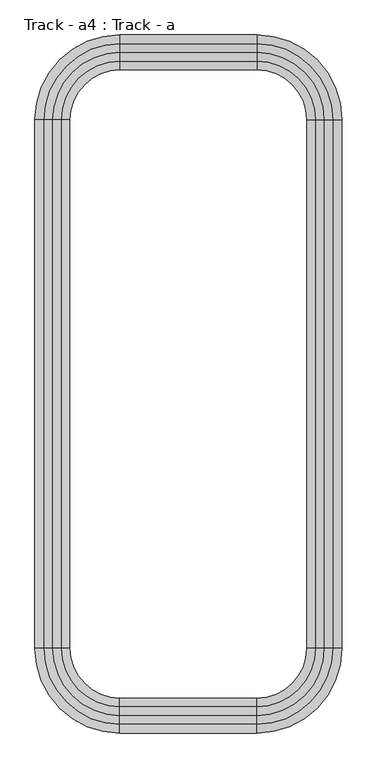
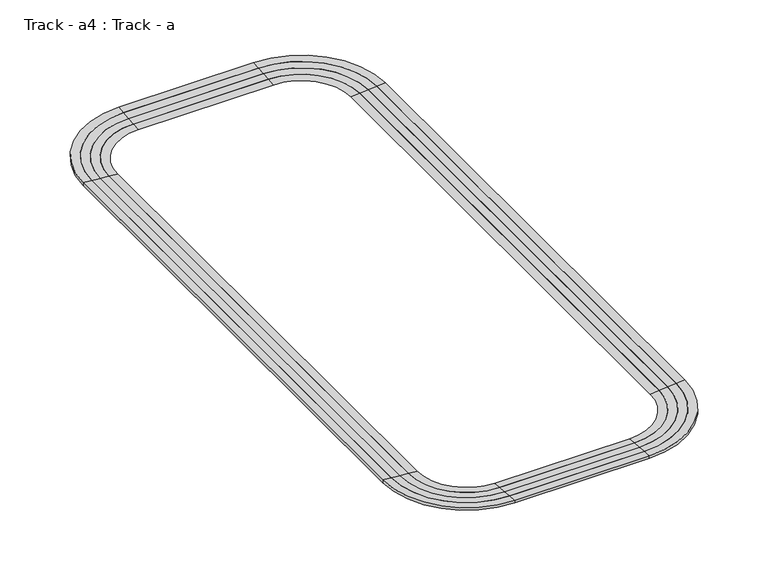
"""IFC4 building model written with IfcOpenShell, lengths in millimetres: proxy geometry, Track - a4 : Track - a."""

import ifcopenshell
import ifcopenshell.guid

model = None  # the IFC model being written
_history = None  # IfcOwnerHistory: only IFC2X3 demands one
_inside = {}  # id of a spatial element -> (the spatial element, [elements in it])
_under = {}  # id of a project, library or spatial element -> (it, [spatial elements below it])
_declared = {}  # id of a project -> (the project, [libraries it declares])
_typed = {}  # id of a type object -> (the type object, [elements of that type])
_made_of = {}  # id of a material, layer set ... -> (it, [elements and type objects made of it])


def new_model(schema):
    """Start an empty IFC model of exactly this schema.

    Asked for "IFC4X3", IfcOpenShell would pick the latest addendum, in which some entities
    have other attributes; the version numbers below select the first issue.
    IFC2X3 requires an IfcOwnerHistory on every rooted entity: one is made here for all.
    """
    global model, _history
    if schema == "IFC4X3":
        model = ifcopenshell.file(schema_version=(4, 3, 0, 0))
    else:
        model = ifcopenshell.file(schema=schema)
    _inside.clear()
    _under.clear()
    _declared.clear()
    _typed.clear()
    _made_of.clear()
    _history = None
    if model.schema == "IFC2X3":
        org = make("IfcOrganization", Name="unknown")
        user = make(
            "IfcPersonAndOrganization",
            ThePerson=make("IfcPerson", FamilyName="unknown"),
            TheOrganization=org,
        )
        app = make(
            "IfcApplication",
            ApplicationDeveloper=org,
            Version="unknown",
            ApplicationFullName="unknown",
            ApplicationIdentifier="unknown",
        )
        _history = make(
            "IfcOwnerHistory",
            OwningUser=user,
            OwningApplication=app,
            ChangeAction="ADDED",
            CreationDate=0,
        )
    return model


def make(cls, **values):
    """One entity of the class cls with the attributes given. An attribute that is None is left unset."""
    return model.create_entity(
        cls, **{name: value for name, value in values.items() if value is not None}
    )


def rooted(cls, **values):
    """An entity with a GlobalId (a new one), such as an element, a storey or a relation."""
    return make(cls, GlobalId=ifcopenshell.guid.new(), OwnerHistory=_history, **values)


def si_unit(unit_type, name, prefix=None):
    """IfcSIUnit, for example si_unit("LENGTHUNIT", "METRE", prefix="MILLI")."""
    return make("IfcSIUnit", UnitType=unit_type, Prefix=prefix, Name=name)


def assignment(units):
    """IfcUnitAssignment: the units of a project."""
    return None if units is None else make("IfcUnitAssignment", Units=units)


def point(xyz):
    """IfcCartesianPoint."""
    return None if xyz is None else make("IfcCartesianPoint", Coordinates=xyz)


def direction(xyz):
    """IfcDirection."""
    return None if xyz is None else make("IfcDirection", DirectionRatios=xyz)


def frame(location, z_axis=None, x_axis=None):
    """IfcAxis2Placement3D, a coordinate frame: its origin and axes. An axis left out is left unset."""
    return make(
        "IfcAxis2Placement3D",
        Location=point(location),
        Axis=direction(z_axis),
        RefDirection=direction(x_axis),
    )


def origin():
    """The frame at (0, 0, 0) with its axes left unset."""
    return frame((0.0, 0.0, 0.0))


def place(relative_to, where):
    """IfcLocalPlacement: puts the frame where relative to a parent placement (None: the world)."""
    return make(
        "IfcLocalPlacement", PlacementRelTo=relative_to, RelativePlacement=where
    )


def context(
    kind, dimensions, precision=None, world=None, true_north=None, identifier=None
):
    """IfcGeometricRepresentationContext, for example the 3D "Model" context."""
    return make(
        "IfcGeometricRepresentationContext",
        ContextIdentifier=identifier,
        ContextType=kind,
        CoordinateSpaceDimension=dimensions,
        Precision=precision,
        WorldCoordinateSystem=world,
        TrueNorth=true_north,
    )


def project(units=None, contexts=None):
    """IfcProject with its units and contexts."""
    return rooted(
        "IfcProject",
        Name="project",
        RepresentationContexts=contexts,
        UnitsInContext=assignment(units),
    )


def spatial(cls, under=None, at=None, **own):
    """A site, building, storey or space (cls), placed at a placement, below another one or the project."""
    s = rooted(cls, ObjectPlacement=at, **own)
    if under is not None:
        _under.setdefault(under.id(), (under, []))[1].append(s)
    return s


def polyline(points):
    """IfcPolyline through the points."""
    return make("IfcPolyline", Points=[point(p) for p in points])


def circle_curve(where, radius):
    """IfcCircle in the frame where."""
    return make("IfcCircle", Position=where, Radius=radius)


def shape(context_of_items, identifier, shape_type, items):
    """IfcShapeRepresentation: the items that make up one representation, for example the "Body"."""
    return make(
        "IfcShapeRepresentation",
        ContextOfItems=context_of_items,
        RepresentationIdentifier=identifier,
        RepresentationType=shape_type,
        Items=items,
    )


def source(mapping_origin, context_of_items, identifier, shape_type, items):
    """IfcRepresentationMap: a shape defined once, which mapped items show again and again."""
    return make(
        "IfcRepresentationMap",
        MappingOrigin=mapping_origin,
        MappedRepresentation=shape(context_of_items, identifier, shape_type, items),
    )


def transform(
    local_origin,
    x_axis=None,
    y_axis=None,
    z_axis=None,
    scale=None,
    scale2=None,
    scale3=None,
    uniform=True,
):
    """IfcCartesianTransformationOperator3D, or its non-uniform kind. x_axis, y_axis, z_axis: its Axis1, 2, 3."""
    if uniform:
        return make(
            "IfcCartesianTransformationOperator3D",
            Axis1=direction(x_axis),
            Axis2=direction(y_axis),
            LocalOrigin=point(local_origin),
            Scale=scale,
            Axis3=direction(z_axis),
        )
    return make(
        "IfcCartesianTransformationOperator3DnonUniform",
        Axis1=direction(x_axis),
        Axis2=direction(y_axis),
        LocalOrigin=point(local_origin),
        Scale=scale,
        Axis3=direction(z_axis),
        Scale2=scale2,
        Scale3=scale3,
    )


def mapped(mapping_source, mapping_target):
    """IfcMappedItem: shows the shape of a source again, moved by a transform."""
    return make(
        "IfcMappedItem", MappingSource=mapping_source, MappingTarget=mapping_target
    )


def made_of(thing, what):
    """Note that an element or type object is made of a material, layer set ...; save() writes the relation."""
    if what is not None:
        _made_of.setdefault(what.id(), (what, []))[1].append(thing)
    return thing


def element(
    cls,
    number,
    at=None,
    inside=None,
    cuts=None,
    type_object=None,
    material=None,
    context=None,
    identifier="Body",
    shape_type=None,
    held_by="IfcProductDefinitionShape",
    body=None,
    shapes=None,
    **own,
):
    """One element of the class cls, such as IfcWall. Its Tag is "e" and its number.

    at: its placement. inside: the storey or other place that contains it. cuts: it is an
    opening in that element (IfcRelVoidsElement). A single representation is given by context,
    identifier, shape_type and body (its items); several are given by shapes. held_by: the class
    of the entity that holds the representations. save() writes the other relations.
    """
    e = rooted(cls, Tag="e%d" % number, ObjectPlacement=at, **own)
    if body is not None:
        shapes = [shape(context, identifier, shape_type, body)]
    if shapes is not None:
        e.Representation = make(held_by, Representations=shapes)
    if inside is not None:
        _inside.setdefault(inside.id(), (inside, []))[1].append(e)
    if cuts is not None:
        rooted(
            "IfcRelVoidsElement", RelatingBuildingElement=cuts, RelatedOpeningElement=e
        )
    if type_object is not None:
        _typed.setdefault(type_object.id(), (type_object, []))[1].append(e)
    return made_of(e, material)


def aggregate(whole, parts):
    """IfcRelAggregates: a whole, such as a stair, and the parts it consists of."""
    return rooted("IfcRelAggregates", RelatingObject=whole, RelatedObjects=parts)


def save(model, path):
    """Write the relations noted so far, then the file.

    IfcRelAggregates (storeys below a building ...), IfcRelContainedInSpatialStructure (elements
    in a storey), IfcRelDefinesByType, IfcRelAssociatesMaterial and IfcRelDeclares: one each for
    every whole, place, type object, material and project.
    """
    for whole, parts in _under.values():
        aggregate(whole, parts)
    for where, things in _inside.values():
        rooted(
            "IfcRelContainedInSpatialStructure",
            RelatedElements=things,
            RelatingStructure=where,
        )
    for kind, things in _typed.values():
        rooted("IfcRelDefinesByType", RelatedObjects=things, RelatingType=kind)
    for what, things in _made_of.values():
        rooted("IfcRelAssociatesMaterial", RelatedObjects=things, RelatingMaterial=what)
    for by, libraries in _declared.values():
        rooted("IfcRelDeclares", RelatingContext=by, RelatedDefinitions=libraries)
    model.write(path)


def plane_surface(at):
    """IfcPlane: the flat surface through the origin of the frame at, square to its z axis."""
    return make("IfcPlane", Position=at)


def cylinder_surface(at, radius):
    """IfcCylindricalSurface: all points at the distance radius from the z axis of the frame at."""
    return make("IfcCylindricalSurface", Position=at, Radius=radius)


def revolved_surface(curve, axis_point, axis_direction):
    """IfcSurfaceOfRevolution: the curve turned about the line through axis_point along axis_direction."""
    return make(
        "IfcSurfaceOfRevolution",
        SweptCurve=make("IfcArbitraryOpenProfileDef", ProfileType="CURVE", Curve=curve),
        AxisPosition=make("IfcAxis1Placement", Location=point(axis_point), Axis=direction(axis_direction)),
    )


def advanced_brep(points, edges, surfaces, faces):
    """IfcAdvancedBrep: a solid bounded by faces that lie on surfaces and meet in shared edges.

    An edge is (start, end): straight between two places in points (the first is 0);
    or (start, end, curve); or (start, end, curve, False) where it runs against its curve.
    A face is (place in surfaces, loops), or (place, loops, False) where it looks against
    its surface's normal. A loop lists edges by number (the first is 1), with a minus sign
    where the edge is run from its end to its start. The first loop is the outer one.
    """
    corners = [point(p) for p in points]
    vertices = [make("IfcVertexPoint", VertexGeometry=c) for c in corners]
    made = []
    for start, end, *more in edges:
        made.append(
            make(
                "IfcEdgeCurve",
                EdgeStart=vertices[start],
                EdgeEnd=vertices[end],
                EdgeGeometry=more[0] if more else make("IfcPolyline", Points=[corners[start], corners[end]]),
                SameSense=more[1] if len(more) > 1 else True,
            )
        )
    hull = []
    for where, loops, *sense in faces:
        bounds = []
        for j, loop in enumerate(loops):
            ring = [make("IfcOrientedEdge", EdgeElement=made[abs(k) - 1], Orientation=k > 0) for k in loop]
            bounds.append(
                make(
                    "IfcFaceOuterBound" if j == 0 else "IfcFaceBound",
                    Bound=make("IfcEdgeLoop", EdgeList=ring),
                    Orientation=True,
                )
            )
        hull.append(make("IfcAdvancedFace", Bounds=bounds, FaceSurface=surfaces[where], SameSense=sense[0] if sense else True))
    return make("IfcAdvancedBrep", Outer=make("IfcClosedShell", CfsFaces=hull))


def track_a4_track_a_34a1ade3(model_context):
    return source(origin(), model_context, "Body", "AdvancedBrep", [
        advanced_brep(
        [(261528.0780265, -570818.1627525, 4775.2), (271891.2780265, -560454.9627525, 4775.2), (270824.4780265, -560454.9627525, 4686.3), (261528.0780265, -569751.3627525, 4686.3), (261528.0780265, -570818.1627525, 4419.6), (271891.2780265, -560454.9627525, 4419.6), (270824.4780265, -560454.9627525, 4419.6), (261528.0780265, -569751.3627525, 4419.6), (244795.173562, -569751.3627525, 4686.3), (244795.173562, -570818.1627525, 4775.2), (244795.173562, -570818.1627525, 4419.6), (244795.173562, -569751.3627525, 4419.6), (234431.973562, -560454.9627525, 4775.2), (235498.773562, -560454.9627525, 4686.3), (234431.973562, -560454.9627525, 4419.6), (235498.773562, -560454.9627525, 4419.6), (235498.773562, -496142.1627525, 4686.3), (234431.973562, -496142.1627525, 4775.2), (234431.973562, -496142.1627525, 4419.6), (235498.773562, -496142.1627525, 4419.6), (244795.173562, -485778.9627525, 4775.2), (244795.173562, -486845.7627525, 4686.3), (244795.173562, -485778.9627525, 4419.6), (244795.173562, -486845.7627525, 4419.6), (261528.0780265, -486845.7627525, 4686.3), (261528.0780265, -485778.9627525, 4775.2), (261528.0780265, -485778.9627525, 4419.6), (261528.0780265, -486845.7627525, 4419.6), (271891.2780266, -496142.1627525, 4775.2), (270824.4780266, -496142.1627525, 4686.3), (271891.2780265, -496142.1627525, 4419.6), (270824.4780266, -496142.1627525, 4419.6)],
        [
            (0, 1, circle_curve(frame((261528.0780265, -560454.9627525, 4775.2), z_axis=(0.0, 0.0, 1.0), x_axis=(1.0, 0.0, 0.0)), 10363.2)),
            (1, 2),
            (2, 3, circle_curve(frame((261528.0780265, -560454.9627525, 4686.3), z_axis=(0.0, 0.0, -1.0), x_axis=(1.0, 0.0, 0.0)), 9296.4)),
            (3, 0),
            (4, 5, circle_curve(frame((261528.0780265, -560454.9627525, 4419.6), z_axis=(0.0, 0.0, 1.0), x_axis=(1.0, 0.0, 0.0)), 10363.2)),
            (5, 1),
            (0, 4),
            (2, 6),
            (6, 7, circle_curve(frame((261528.0780265, -560454.9627525, 4419.6), z_axis=(0.0, 0.0, -1.0), x_axis=(1.0, 0.0, 0.0)), 9296.4)),
            (7, 3),
            (3, 8),
            (8, 9),
            (9, 0),
            (9, 10),
            (10, 4),
            (7, 11),
            (11, 8),
            (12, 9, circle_curve(frame((244795.173562, -560454.9627525, 4775.2), z_axis=(0.0, 0.0, 1.0), x_axis=(0.0, -1.0, 0.0)), 10363.2)),
            (8, 13, circle_curve(frame((244795.173562, -560454.9627525, 4686.3), z_axis=(0.0, 0.0, -1.0), x_axis=(0.0, -1.0, 0.0)), 9296.4)),
            (13, 12),
            (14, 10, circle_curve(frame((244795.173562, -560454.9627525, 4419.6), z_axis=(0.0, 0.0, 1.0), x_axis=(0.0, -1.0, 0.0)), 10363.2)),
            (12, 14),
            (11, 15, circle_curve(frame((244795.173562, -560454.9627525, 4419.6), z_axis=(0.0, 0.0, -1.0), x_axis=(0.0, -1.0, 0.0)), 9296.4)),
            (15, 13),
            (13, 16),
            (16, 17),
            (17, 12),
            (17, 18),
            (18, 14),
            (15, 19),
            (19, 16),
            (20, 17, circle_curve(frame((244795.173562, -496142.1627525, 4775.2), z_axis=(0.0, 0.0, 1.0), x_axis=(-1.0, 0.0, 0.0)), 10363.2)),
            (16, 21, circle_curve(frame((244795.173562, -496142.1627525, 4686.3), z_axis=(0.0, 0.0, -1.0), x_axis=(-1.0, 0.0, 0.0)), 9296.4)),
            (21, 20),
            (22, 18, circle_curve(frame((244795.173562, -496142.1627525, 4419.6), z_axis=(0.0, 0.0, 1.0), x_axis=(-1.0, 0.0, 0.0)), 10363.2)),
            (20, 22),
            (19, 23, circle_curve(frame((244795.173562, -496142.1627525, 4419.6), z_axis=(0.0, 0.0, -1.0), x_axis=(-1.0, 0.0, 0.0)), 9296.4)),
            (23, 21),
            (21, 24),
            (24, 25),
            (25, 20),
            (25, 26),
            (26, 22),
            (23, 27),
            (27, 24),
            (28, 25, circle_curve(frame((261528.0780265, -496142.1627525, 4775.2), z_axis=(0.0, 0.0, 1.0), x_axis=(0.0, 1.0, 0.0)), 10363.2)),
            (24, 29, circle_curve(frame((261528.0780265, -496142.1627525, 4686.3), z_axis=(0.0, 0.0, -1.0), x_axis=(0.0, 1.0, 0.0)), 9296.4)),
            (29, 28),
            (30, 26, circle_curve(frame((261528.0780265, -496142.1627525, 4419.6), z_axis=(0.0, 0.0, 1.0), x_axis=(0.0, 1.0, 0.0)), 10363.2)),
            (28, 30),
            (27, 31, circle_curve(frame((261528.0780265, -496142.1627525, 4419.6), z_axis=(0.0, 0.0, -1.0), x_axis=(0.0, 1.0, 0.0)), 9296.4)),
            (31, 29),
            (29, 2),
            (1, 28),
            (5, 30),
            (6, 31),
        ],
        [
            revolved_surface(polyline([(270824.4780265, -560454.9627525, 4686.3), (271891.2780265, -560454.9627525, 4775.2)]), (261528.0780265, -560454.9627525, 0.0), (0.0, 0.0, -1.0)),
            cylinder_surface(frame((261528.0780265, -560454.9627525, 0.0), z_axis=(0.0, 0.0, -1.0), x_axis=(1.0, 0.0, 0.0)), 10363.2),
            revolved_surface(polyline([(270824.47802650003, -560454.9627525, 4419.6), (270824.47802650003, -560454.9627525, 4686.3)]), (261528.0780265, -560454.9627525, 0.0), (0.0, 0.0, -1.0)),
            plane_surface(frame((261528.0780265, -569751.3627525, 4686.3), z_axis=(0.0, 0.08304547985373159, 0.9965457582448803), x_axis=(-1.0, 0.0, 0.0))),
            plane_surface(frame((261528.0780265, -570818.1627525, 4775.2), z_axis=(0.0, -1.0, 0.0), x_axis=(-1.0, 0.0, 0.0))),
            plane_surface(frame((261528.0780265, -569751.3627525, 4419.6), z_axis=(0.0, 1.0, 0.0), x_axis=(-1.0, 0.0, 0.0))),
            revolved_surface(polyline([(244795.173562, -569751.3627525, 4686.3), (244795.173562, -570818.1627525, 4775.2)]), (244795.173562, -560454.9627525, 0.0), (0.0, 0.0, -1.0)),
            cylinder_surface(frame((244795.173562, -560454.9627525, 0.0), z_axis=(0.0, 0.0, -1.0), x_axis=(0.0, -1.0, 0.0)), 10363.2),
            revolved_surface(polyline([(244795.173562, -569751.3627525, 4419.6), (244795.173562, -569751.3627525, 4686.3)]), (244795.173562, -560454.9627525, 0.0), (0.0, 0.0, -1.0)),
            plane_surface(frame((235498.773562, -560454.9627525, 4686.3), z_axis=(0.08304547985373159, 0.0, 0.9965457582448803), x_axis=(0.0, 1.0, 0.0))),
            plane_surface(frame((234431.973562, -560454.9627525, 4775.2), z_axis=(-1.0, 0.0, 0.0), x_axis=(0.0, 1.0, 0.0))),
            plane_surface(frame((235498.773562, -560454.9627525, 4419.6), z_axis=(1.0, 0.0, 0.0), x_axis=(0.0, 1.0, 0.0))),
            revolved_surface(polyline([(235498.773562, -496142.1627525, 4686.3), (234431.973562, -496142.1627525, 4775.2)]), (244795.173562, -496142.1627525, 0.0), (0.0, 0.0, -1.0)),
            cylinder_surface(frame((244795.173562, -496142.1627525, 0.0), z_axis=(0.0, 0.0, -1.0), x_axis=(-1.0, 0.0, 0.0)), 10363.2),
            revolved_surface(polyline([(235498.77356200002, -496142.1627525, 4419.6), (235498.77356200002, -496142.1627525, 4686.3)]), (244795.173562, -496142.1627525, 0.0), (0.0, 0.0, -1.0)),
            plane_surface(frame((244795.173562, -486845.7627525, 4686.3), z_axis=(0.0, -0.08304547985373159, 0.9965457582448803), x_axis=(1.0, 0.0, 0.0))),
            plane_surface(frame((244795.173562, -485778.9627525, 4775.2), z_axis=(0.0, 1.0, 0.0), x_axis=(1.0, 0.0, 0.0))),
            plane_surface(frame((244795.173562, -486845.7627525, 4419.6), z_axis=(0.0, -1.0, 0.0), x_axis=(1.0, 0.0, 0.0))),
            revolved_surface(polyline([(261528.0780265, -486845.7627525, 4686.3), (261528.0780265, -485778.9627525, 4775.2)]), (261528.0780265, -496142.1627525, 0.0), (0.0, 0.0, -1.0)),
            cylinder_surface(frame((261528.0780265, -496142.1627525, 0.0), z_axis=(0.0, 0.0, -1.0), x_axis=(0.0, 1.0, 0.0)), 10363.2),
            revolved_surface(polyline([(261528.0780265, -486845.76275249996, 4419.6), (261528.0780265, -486845.76275249996, 4686.3)]), (261528.0780265, -496142.1627525, 0.0), (0.0, 0.0, -1.0)),
            plane_surface(frame((270824.4780266, -496142.1627525, 4686.3), z_axis=(-0.08304547985373159, 0.0, 0.9965457582448803), x_axis=(0.0, -1.0, 0.0))),
            plane_surface(frame((271891.2780266, -496142.1627525, 4775.2), z_axis=(1.0, 0.0, 0.0), x_axis=(0.0, -1.0, 0.0))),
            plane_surface(frame((271891.2780266, -496142.1627525, 4419.6), z_axis=(0.0, 0.0, -1.0), x_axis=(0.0, -1.0, 0.0))),
            plane_surface(frame((270824.4780266, -496142.1627525, 4419.6), z_axis=(-1.0, 0.0, 0.0), x_axis=(0.0, -1.0, 0.0))),
        ],
        [
            (0, [[1, 2, 3, 4]]),
            (1, [[5, 6, -1, 7]]),
            (2, [[-3, 8, 9, 10]]),
            (3, [[-4, 11, 12, 13]]),
            (4, [[-7, -13, 14, 15]]),
            (5, [[-10, 16, 17, -11]]),
            (6, [[18, -12, 19, 20]]),
            (7, [[21, -14, -18, 22]]),
            (8, [[-19, -17, 23, 24]]),
            (9, [[-20, 25, 26, 27]]),
            (10, [[-22, -27, 28, 29]]),
            (11, [[-24, 30, 31, -25]]),
            (12, [[32, -26, 33, 34]]),
            (13, [[35, -28, -32, 36]]),
            (14, [[-33, -31, 37, 38]]),
            (15, [[-34, 39, 40, 41]]),
            (16, [[-36, -41, 42, 43]]),
            (17, [[-38, 44, 45, -39]]),
            (18, [[46, -40, 47, 48]]),
            (19, [[49, -42, -46, 50]]),
            (20, [[-47, -45, 51, 52]]),
            (21, [[-48, 53, -2, 54]]),
            (22, [[-50, -54, -6, 55]]),
            (23, [[-43, -49, -55, -5, -15, -21, -29, -35], [56, -51, -44, -37, -30, -23, -16, -9]]),
            (24, [[-52, -56, -8, -53]]),
        ],
    ),
        advanced_brep(
        [(261528.0780265, -569751.3627525, 4686.3), (270824.4780265, -560454.9627525, 4686.3), (269757.6780265, -560454.9627525, 4597.4), (261528.0780265, -568684.5627525, 4597.4), (261528.0780265, -569751.3627525, 4419.6), (270824.4780265, -560454.9627525, 4419.6), (269757.6780265, -560454.9627525, 4419.6), (261528.0780265, -568684.5627525, 4419.6), (244795.173562, -568684.5627525, 4597.4), (244795.173562, -569751.3627525, 4686.3), (244795.173562, -569751.3627525, 4419.6), (244795.173562, -568684.5627525, 4419.6), (235498.773562, -560454.9627525, 4686.3), (236565.573562, -560454.9627525, 4597.4), (235498.773562, -560454.9627525, 4419.6), (236565.573562, -560454.9627525, 4419.6), (236565.573562, -496142.1627525, 4597.4), (235498.773562, -496142.1627525, 4686.3), (235498.773562, -496142.1627525, 4419.6), (236565.573562, -496142.1627525, 4419.6), (244795.173562, -486845.7627525, 4686.3), (244795.173562, -487912.5627525, 4597.4), (244795.173562, -486845.7627525, 4419.6), (244795.173562, -487912.5627525, 4419.6), (261528.0780265, -487912.5627525, 4597.4), (261528.0780265, -486845.7627525, 4686.3), (261528.0780265, -486845.7627525, 4419.6), (261528.0780265, -487912.5627525, 4419.6), (270824.4780266, -496142.1627525, 4686.3), (269757.6780266, -496142.1627525, 4597.4), (270824.4780266, -496142.1627525, 4419.6), (269757.6780266, -496142.1627525, 4419.6)],
        [
            (0, 1, circle_curve(frame((261528.0780265, -560454.9627525, 4686.3), z_axis=(0.0, 0.0, 1.0), x_axis=(1.0, 0.0, 0.0)), 9296.4)),
            (1, 2),
            (2, 3, circle_curve(frame((261528.0780265, -560454.9627525, 4597.4), z_axis=(0.0, 0.0, -1.0), x_axis=(1.0, 0.0, 0.0)), 8229.6)),
            (3, 0),
            (4, 5, circle_curve(frame((261528.0780265, -560454.9627525, 4419.6), z_axis=(0.0, 0.0, 1.0), x_axis=(1.0, 0.0, 0.0)), 9296.4)),
            (5, 1),
            (0, 4),
            (2, 6),
            (6, 7, circle_curve(frame((261528.0780265, -560454.9627525, 4419.6), z_axis=(0.0, 0.0, -1.0), x_axis=(1.0, 0.0, 0.0)), 8229.6)),
            (7, 3),
            (3, 8),
            (8, 9),
            (9, 0),
            (9, 10),
            (10, 4),
            (7, 11),
            (11, 8),
            (12, 9, circle_curve(frame((244795.173562, -560454.9627525, 4686.3), z_axis=(0.0, 0.0, 1.0), x_axis=(0.0, -1.0, 0.0)), 9296.4)),
            (8, 13, circle_curve(frame((244795.173562, -560454.9627525, 4597.4), z_axis=(0.0, 0.0, -1.0), x_axis=(0.0, -1.0, 0.0)), 8229.6)),
            (13, 12),
            (14, 10, circle_curve(frame((244795.173562, -560454.9627525, 4419.6), z_axis=(0.0, 0.0, 1.0), x_axis=(0.0, -1.0, 0.0)), 9296.4)),
            (12, 14),
            (11, 15, circle_curve(frame((244795.173562, -560454.9627525, 4419.6), z_axis=(0.0, 0.0, -1.0), x_axis=(0.0, -1.0, 0.0)), 8229.6)),
            (15, 13),
            (13, 16),
            (16, 17),
            (17, 12),
            (17, 18),
            (18, 14),
            (15, 19),
            (19, 16),
            (20, 17, circle_curve(frame((244795.173562, -496142.1627525, 4686.3), z_axis=(0.0, 0.0, 1.0), x_axis=(-1.0, 0.0, 0.0)), 9296.4)),
            (16, 21, circle_curve(frame((244795.173562, -496142.1627525, 4597.4), z_axis=(0.0, 0.0, -1.0), x_axis=(-1.0, 0.0, 0.0)), 8229.6)),
            (21, 20),
            (22, 18, circle_curve(frame((244795.173562, -496142.1627525, 4419.6), z_axis=(0.0, 0.0, 1.0), x_axis=(-1.0, 0.0, 0.0)), 9296.4)),
            (20, 22),
            (19, 23, circle_curve(frame((244795.173562, -496142.1627525, 4419.6), z_axis=(0.0, 0.0, -1.0), x_axis=(-1.0, 0.0, 0.0)), 8229.6)),
            (23, 21),
            (21, 24),
            (24, 25),
            (25, 20),
            (25, 26),
            (26, 22),
            (23, 27),
            (27, 24),
            (28, 25, circle_curve(frame((261528.0780265, -496142.1627525, 4686.3), z_axis=(0.0, 0.0, 1.0), x_axis=(0.0, 1.0, 0.0)), 9296.4)),
            (24, 29, circle_curve(frame((261528.0780265, -496142.1627525, 4597.4), z_axis=(0.0, 0.0, -1.0), x_axis=(0.0, 1.0, 0.0)), 8229.6)),
            (29, 28),
            (30, 26, circle_curve(frame((261528.0780265, -496142.1627525, 4419.6), z_axis=(0.0, 0.0, 1.0), x_axis=(0.0, 1.0, 0.0)), 9296.4)),
            (28, 30),
            (27, 31, circle_curve(frame((261528.0780265, -496142.1627525, 4419.6), z_axis=(0.0, 0.0, -1.0), x_axis=(0.0, 1.0, 0.0)), 8229.6)),
            (31, 29),
            (29, 2),
            (1, 28),
            (5, 30),
            (6, 31),
        ],
        [
            revolved_surface(polyline([(269757.6780265, -560454.9627525, 4597.4), (270824.4780265, -560454.9627525, 4686.3)]), (261528.0780265, -560454.9627525, 0.0), (0.0, 0.0, -1.0)),
            cylinder_surface(frame((261528.0780265, -560454.9627525, 0.0), z_axis=(0.0, 0.0, -1.0), x_axis=(1.0, 0.0, 0.0)), 9296.4),
            revolved_surface(polyline([(269757.6780265, -560454.9627525, 4419.6), (269757.6780265, -560454.9627525, 4597.4)]), (261528.0780265, -560454.9627525, 0.0), (0.0, 0.0, -1.0)),
            plane_surface(frame((261528.0780265, -568684.5627525, 4597.4), z_axis=(0.0, 0.08304547985373473, 0.9965457582448801), x_axis=(-1.0, 0.0, 0.0))),
            plane_surface(frame((261528.0780265, -569751.3627525, 4686.3), z_axis=(0.0, -1.0, 0.0), x_axis=(-1.0, 0.0, 0.0))),
            plane_surface(frame((261528.0780265, -568684.5627525, 4419.6), z_axis=(0.0, 1.0, 0.0), x_axis=(-1.0, 0.0, 0.0))),
            revolved_surface(polyline([(244795.173562, -568684.5627525, 4597.4), (244795.173562, -569751.3627525, 4686.3)]), (244795.173562, -560454.9627525, 0.0), (0.0, 0.0, -1.0)),
            cylinder_surface(frame((244795.173562, -560454.9627525, 0.0), z_axis=(0.0, 0.0, -1.0), x_axis=(0.0, -1.0, 0.0)), 9296.4),
            revolved_surface(polyline([(244795.173562, -568684.5627525, 4419.6), (244795.173562, -568684.5627525, 4597.4)]), (244795.173562, -560454.9627525, 0.0), (0.0, 0.0, -1.0)),
            plane_surface(frame((236565.573562, -560454.9627525, 4597.4), z_axis=(0.08304547985373473, 0.0, 0.9965457582448801), x_axis=(0.0, 1.0, 0.0))),
            plane_surface(frame((235498.773562, -560454.9627525, 4686.3), z_axis=(-1.0, 0.0, 0.0), x_axis=(0.0, 1.0, 0.0))),
            plane_surface(frame((236565.573562, -560454.9627525, 4419.6), z_axis=(1.0, 0.0, 0.0), x_axis=(0.0, 1.0, 0.0))),
            revolved_surface(polyline([(236565.573562, -496142.1627525, 4597.4), (235498.773562, -496142.1627525, 4686.3)]), (244795.173562, -496142.1627525, 0.0), (0.0, 0.0, -1.0)),
            cylinder_surface(frame((244795.173562, -496142.1627525, 0.0), z_axis=(0.0, 0.0, -1.0), x_axis=(-1.0, 0.0, 0.0)), 9296.4),
            revolved_surface(polyline([(236565.573562, -496142.1627525, 4419.6), (236565.573562, -496142.1627525, 4597.4)]), (244795.173562, -496142.1627525, 0.0), (0.0, 0.0, -1.0)),
            plane_surface(frame((244795.173562, -487912.5627525, 4597.4), z_axis=(0.0, -0.08304547985373473, 0.9965457582448801), x_axis=(1.0, 0.0, 0.0))),
            plane_surface(frame((244795.173562, -486845.7627525, 4686.3), z_axis=(0.0, 1.0, 0.0), x_axis=(1.0, 0.0, 0.0))),
            plane_surface(frame((244795.173562, -487912.5627525, 4419.6), z_axis=(0.0, -1.0, 0.0), x_axis=(1.0, 0.0, 0.0))),
            revolved_surface(polyline([(261528.0780265, -487912.5627525, 4597.4), (261528.0780265, -486845.7627525, 4686.3)]), (261528.0780265, -496142.1627525, 0.0), (0.0, 0.0, -1.0)),
            cylinder_surface(frame((261528.0780265, -496142.1627525, 0.0), z_axis=(0.0, 0.0, -1.0), x_axis=(0.0, 1.0, 0.0)), 9296.4),
            revolved_surface(polyline([(261528.0780265, -487912.5627525, 4419.6), (261528.0780265, -487912.5627525, 4597.4)]), (261528.0780265, -496142.1627525, 0.0), (0.0, 0.0, -1.0)),
            plane_surface(frame((269757.6780266, -496142.1627525, 4597.4), z_axis=(-0.08304547985373473, 0.0, 0.9965457582448801), x_axis=(0.0, -1.0, 0.0))),
            plane_surface(frame((270824.4780266, -496142.1627525, 4686.3), z_axis=(1.0, 0.0, 0.0), x_axis=(0.0, -1.0, 0.0))),
            plane_surface(frame((270824.4780266, -496142.1627525, 4419.6), z_axis=(0.0, 0.0, -1.0), x_axis=(0.0, -1.0, 0.0))),
            plane_surface(frame((269757.6780266, -496142.1627525, 4419.6), z_axis=(-1.0, 0.0, 0.0), x_axis=(0.0, -1.0, 0.0))),
        ],
        [
            (0, [[1, 2, 3, 4]]),
            (1, [[5, 6, -1, 7]]),
            (2, [[-3, 8, 9, 10]]),
            (3, [[-4, 11, 12, 13]]),
            (4, [[-7, -13, 14, 15]]),
            (5, [[-10, 16, 17, -11]]),
            (6, [[18, -12, 19, 20]]),
            (7, [[21, -14, -18, 22]]),
            (8, [[-19, -17, 23, 24]]),
            (9, [[-20, 25, 26, 27]]),
            (10, [[-22, -27, 28, 29]]),
            (11, [[-24, 30, 31, -25]]),
            (12, [[32, -26, 33, 34]]),
            (13, [[35, -28, -32, 36]]),
            (14, [[-33, -31, 37, 38]]),
            (15, [[-34, 39, 40, 41]]),
            (16, [[-36, -41, 42, 43]]),
            (17, [[-38, 44, 45, -39]]),
            (18, [[46, -40, 47, 48]]),
            (19, [[49, -42, -46, 50]]),
            (20, [[-47, -45, 51, 52]]),
            (21, [[-48, 53, -2, 54]]),
            (22, [[-50, -54, -6, 55]]),
            (23, [[-43, -49, -55, -5, -15, -21, -29, -35], [56, -51, -44, -37, -30, -23, -16, -9]]),
            (24, [[-52, -56, -8, -53]]),
        ],
    ),
        advanced_brep(
        [(261528.0780265, -568684.5627525, 4597.4), (269757.6780265, -560454.9627525, 4597.4), (268690.8780265, -560454.9627525, 4508.5), (261528.0780265, -567617.7627525, 4508.5), (261528.0780265, -568684.5627525, 4419.6), (269757.6780265, -560454.9627525, 4419.6), (268690.8780265, -560454.9627525, 4419.6), (261528.0780265, -567617.7627525, 4419.6), (244795.173562, -567617.7627525, 4508.5), (244795.173562, -568684.5627525, 4597.4), (244795.173562, -568684.5627525, 4419.6), (244795.173562, -567617.7627525, 4419.6), (236565.573562, -560454.9627525, 4597.4), (237632.373562, -560454.9627525, 4508.5), (236565.573562, -560454.9627525, 4419.6), (237632.373562, -560454.9627525, 4419.6), (237632.373562, -496142.1627525, 4508.5), (236565.573562, -496142.1627525, 4597.4), (236565.573562, -496142.1627525, 4419.6), (237632.373562, -496142.1627525, 4419.6), (244795.173562, -487912.5627525, 4597.4), (244795.173562, -488979.3627525, 4508.5), (244795.173562, -487912.5627525, 4419.6), (244795.173562, -488979.3627525, 4419.6), (261528.0780266, -488979.3627525, 4508.5), (261528.0780266, -487912.5627525, 4597.4), (261528.0780266, -487912.5627525, 4419.6), (261528.0780266, -488979.3627525, 4419.6), (269757.6780266, -496142.1627525, 4597.4), (268690.8780266, -496142.1627525, 4508.5), (269757.6780266, -496142.1627525, 4419.6), (268690.8780266, -496142.1627525, 4419.6)],
        [
            (0, 1, circle_curve(frame((261528.0780265, -560454.9627525, 4597.4), z_axis=(0.0, 0.0, 1.0), x_axis=(1.0, 0.0, 0.0)), 8229.6)),
            (1, 2),
            (2, 3, circle_curve(frame((261528.0780265, -560454.9627525, 4508.5), z_axis=(0.0, 0.0, -1.0), x_axis=(1.0, 0.0, 0.0)), 7162.8)),
            (3, 0),
            (4, 5, circle_curve(frame((261528.0780265, -560454.9627525, 4419.6), z_axis=(0.0, 0.0, 1.0), x_axis=(1.0, 0.0, 0.0)), 8229.6)),
            (5, 1),
            (0, 4),
            (2, 6),
            (6, 7, circle_curve(frame((261528.0780265, -560454.9627525, 4419.6), z_axis=(0.0, 0.0, -1.0), x_axis=(1.0, 0.0, 0.0)), 7162.8)),
            (7, 3),
            (3, 8),
            (8, 9),
            (9, 0),
            (9, 10),
            (10, 4),
            (7, 11),
            (11, 8),
            (12, 9, circle_curve(frame((244795.173562, -560454.9627525, 4597.4), z_axis=(0.0, 0.0, 1.0), x_axis=(0.0, -1.0, 0.0)), 8229.6)),
            (8, 13, circle_curve(frame((244795.173562, -560454.9627525, 4508.5), z_axis=(0.0, 0.0, -1.0), x_axis=(0.0, -1.0, 0.0)), 7162.8)),
            (13, 12),
            (14, 10, circle_curve(frame((244795.173562, -560454.9627525, 4419.6), z_axis=(0.0, 0.0, 1.0), x_axis=(0.0, -1.0, 0.0)), 8229.6)),
            (12, 14),
            (11, 15, circle_curve(frame((244795.173562, -560454.9627525, 4419.6), z_axis=(0.0, 0.0, -1.0), x_axis=(0.0, -1.0, 0.0)), 7162.8)),
            (15, 13),
            (13, 16),
            (16, 17),
            (17, 12),
            (17, 18),
            (18, 14),
            (15, 19),
            (19, 16),
            (20, 17, circle_curve(frame((244795.173562, -496142.1627525, 4597.4), z_axis=(0.0, 0.0, 1.0), x_axis=(-1.0, 0.0, 0.0)), 8229.6)),
            (16, 21, circle_curve(frame((244795.173562, -496142.1627525, 4508.5), z_axis=(0.0, 0.0, -1.0), x_axis=(-1.0, 0.0, 0.0)), 7162.8)),
            (21, 20),
            (22, 18, circle_curve(frame((244795.173562, -496142.1627525, 4419.6), z_axis=(0.0, 0.0, 1.0), x_axis=(-1.0, 0.0, 0.0)), 8229.6)),
            (20, 22),
            (19, 23, circle_curve(frame((244795.173562, -496142.1627525, 4419.6), z_axis=(0.0, 0.0, -1.0), x_axis=(-1.0, 0.0, 0.0)), 7162.8)),
            (23, 21),
            (21, 24),
            (24, 25),
            (25, 20),
            (25, 26),
            (26, 22),
            (23, 27),
            (27, 24),
            (28, 25, circle_curve(frame((261528.0780266, -496142.1627525, 4597.4), z_axis=(0.0, 0.0, 1.0), x_axis=(0.0, 1.0, 0.0)), 8229.6)),
            (24, 29, circle_curve(frame((261528.0780266, -496142.1627525, 4508.5), z_axis=(0.0, 0.0, -1.0), x_axis=(0.0, 1.0, 0.0)), 7162.8)),
            (29, 28),
            (30, 26, circle_curve(frame((261528.0780266, -496142.1627525, 4419.6), z_axis=(0.0, 0.0, 1.0), x_axis=(0.0, 1.0, 0.0)), 8229.6)),
            (28, 30),
            (27, 31, circle_curve(frame((261528.0780266, -496142.1627525, 4419.6), z_axis=(0.0, 0.0, -1.0), x_axis=(0.0, 1.0, 0.0)), 7162.8)),
            (31, 29),
            (29, 2),
            (1, 28),
            (5, 30),
            (6, 31),
        ],
        [
            revolved_surface(polyline([(268690.8780265, -560454.9627525, 4508.5), (269757.6780265, -560454.9627525, 4597.4)]), (261528.0780265, -560454.9627525, 0.0), (0.0, 0.0, -1.0)),
            cylinder_surface(frame((261528.0780265, -560454.9627525, 0.0), z_axis=(0.0, 0.0, -1.0), x_axis=(1.0, 0.0, 0.0)), 8229.6),
            revolved_surface(polyline([(268690.8780265, -560454.9627525, 4419.6), (268690.8780265, -560454.9627525, 4508.5)]), (261528.0780265, -560454.9627525, 0.0), (0.0, 0.0, -1.0)),
            plane_surface(frame((261528.0780265, -567617.7627525, 4508.5), z_axis=(0.0, 0.0830454798537369, 0.9965457582448799), x_axis=(-1.0, 0.0, 0.0))),
            plane_surface(frame((261528.0780265, -568684.5627525, 4597.4), z_axis=(0.0, -1.0, 0.0), x_axis=(-1.0, 0.0, 0.0))),
            plane_surface(frame((261528.0780265, -567617.7627525, 4419.6), z_axis=(0.0, 1.0, 0.0), x_axis=(-1.0, 0.0, 0.0))),
            revolved_surface(polyline([(244795.173562, -567617.7627525, 4508.5), (244795.173562, -568684.5627525, 4597.4)]), (244795.173562, -560454.9627525, 0.0), (0.0, 0.0, -1.0)),
            cylinder_surface(frame((244795.173562, -560454.9627525, 0.0), z_axis=(0.0, 0.0, -1.0), x_axis=(0.0, -1.0, 0.0)), 8229.6),
            revolved_surface(polyline([(244795.173562, -567617.7627525, 4419.6), (244795.173562, -567617.7627525, 4508.5)]), (244795.173562, -560454.9627525, 0.0), (0.0, 0.0, -1.0)),
            plane_surface(frame((237632.373562, -560454.9627525, 4508.5), z_axis=(0.0830454798537369, 0.0, 0.9965457582448799), x_axis=(0.0, 1.0, 0.0))),
            plane_surface(frame((236565.573562, -560454.9627525, 4597.4), z_axis=(-1.0, 0.0, 0.0), x_axis=(0.0, 1.0, 0.0))),
            plane_surface(frame((237632.373562, -560454.9627525, 4419.6), z_axis=(1.0, 0.0, 0.0), x_axis=(0.0, 1.0, 0.0))),
            revolved_surface(polyline([(237632.373562, -496142.1627525, 4508.5), (236565.573562, -496142.1627525, 4597.4)]), (244795.173562, -496142.1627525, 0.0), (0.0, 0.0, -1.0)),
            cylinder_surface(frame((244795.173562, -496142.1627525, 0.0), z_axis=(0.0, 0.0, -1.0), x_axis=(-1.0, 0.0, 0.0)), 8229.6),
            revolved_surface(polyline([(237632.37356200002, -496142.1627525, 4419.6), (237632.37356200002, -496142.1627525, 4508.5)]), (244795.173562, -496142.1627525, 0.0), (0.0, 0.0, -1.0)),
            plane_surface(frame((244795.173562, -488979.3627525, 4508.5), z_axis=(0.0, -0.0830454798537369, 0.9965457582448799), x_axis=(1.0, 0.0, 0.0))),
            plane_surface(frame((244795.173562, -487912.5627525, 4597.4), z_axis=(0.0, 1.0, 0.0), x_axis=(1.0, 0.0, 0.0))),
            plane_surface(frame((244795.173562, -488979.3627525, 4419.6), z_axis=(0.0, -1.0, 0.0), x_axis=(1.0, 0.0, 0.0))),
            revolved_surface(polyline([(261528.0780266, -488979.3627525, 4508.5), (261528.0780266, -487912.5627525, 4597.4)]), (261528.0780266, -496142.1627525, 0.0), (0.0, 0.0, -1.0)),
            cylinder_surface(frame((261528.0780266, -496142.1627525, 0.0), z_axis=(0.0, 0.0, -1.0), x_axis=(0.0, 1.0, 0.0)), 8229.6),
            revolved_surface(polyline([(261528.0780266, -488979.3627525, 4419.6), (261528.0780266, -488979.3627525, 4508.5)]), (261528.0780266, -496142.1627525, 0.0), (0.0, 0.0, -1.0)),
            plane_surface(frame((268690.8780266, -496142.1627525, 4508.5), z_axis=(-0.0830454798537369, 0.0, 0.9965457582448799), x_axis=(0.0, -1.0, 0.0))),
            plane_surface(frame((269757.6780266, -496142.1627525, 4597.4), z_axis=(1.0, 0.0, 0.0), x_axis=(0.0, -1.0, 0.0))),
            plane_surface(frame((269757.6780266, -496142.1627525, 4419.6), z_axis=(0.0, 0.0, -1.0), x_axis=(0.0, -1.0, 0.0))),
            plane_surface(frame((268690.8780266, -496142.1627525, 4419.6), z_axis=(-1.0, 0.0, 0.0), x_axis=(0.0, -1.0, 0.0))),
        ],
        [
            (0, [[1, 2, 3, 4]]),
            (1, [[5, 6, -1, 7]]),
            (2, [[-3, 8, 9, 10]]),
            (3, [[-4, 11, 12, 13]]),
            (4, [[-7, -13, 14, 15]]),
            (5, [[-10, 16, 17, -11]]),
            (6, [[18, -12, 19, 20]]),
            (7, [[21, -14, -18, 22]]),
            (8, [[-19, -17, 23, 24]]),
            (9, [[-20, 25, 26, 27]]),
            (10, [[-22, -27, 28, 29]]),
            (11, [[-24, 30, 31, -25]]),
            (12, [[32, -26, 33, 34]]),
            (13, [[35, -28, -32, 36]]),
            (14, [[-33, -31, 37, 38]]),
            (15, [[-34, 39, 40, 41]]),
            (16, [[-36, -41, 42, 43]]),
            (17, [[-38, 44, 45, -39]]),
            (18, [[46, -40, 47, 48]]),
            (19, [[49, -42, -46, 50]]),
            (20, [[-47, -45, 51, 52]]),
            (21, [[-48, 53, -2, 54]]),
            (22, [[-50, -54, -6, 55]]),
            (23, [[-43, -49, -55, -5, -15, -21, -29, -35], [56, -51, -44, -37, -30, -23, -16, -9]]),
            (24, [[-52, -56, -8, -53]]),
        ],
    ),
        advanced_brep(
        [(261528.0780265, -567617.7627525, 4508.5), (268690.8780265, -560454.9627525, 4508.5), (267624.0780265, -560454.9627525, 4419.6), (261528.0780265, -566550.9627525, 4419.6), (261528.0780265, -567617.7627525, 4419.6), (268690.8780265, -560454.9627525, 4419.6), (244795.173562, -566550.9627525, 4419.6), (244795.173562, -567617.7627525, 4508.5), (244795.173562, -567617.7627525, 4419.6), (237632.373562, -560454.9627525, 4508.5), (238699.173562, -560454.9627525, 4419.6), (237632.373562, -560454.9627525, 4419.6), (238699.173562, -496142.1627525, 4419.6), (237632.373562, -496142.1627525, 4508.5), (237632.373562, -496142.1627525, 4419.6), (244795.173562, -488979.3627525, 4508.5), (244795.173562, -490046.1627525, 4419.6), (244795.173562, -488979.3627525, 4419.6), (261528.0780266, -490046.1627525, 4419.6), (261528.0780266, -488979.3627525, 4508.5), (261528.0780266, -488979.3627525, 4419.6), (268690.8780266, -496142.1627525, 4508.5), (267624.0780266, -496142.1627525, 4419.6), (268690.8780266, -496142.1627525, 4419.6)],
        [
            (0, 1, circle_curve(frame((261528.0780265, -560454.9627525, 4508.5), z_axis=(0.0, 0.0, 1.0), x_axis=(1.0, 0.0, 0.0)), 7162.8)),
            (1, 2),
            (2, 3, circle_curve(frame((261528.0780265, -560454.9627525, 4419.6), z_axis=(0.0, 0.0, -1.0), x_axis=(1.0, 0.0, 0.0)), 6096.0)),
            (3, 0),
            (4, 5, circle_curve(frame((261528.0780265, -560454.9627525, 4419.6), z_axis=(0.0, 0.0, 1.0), x_axis=(1.0, 0.0, 0.0)), 7162.8)),
            (5, 1),
            (0, 4),
            (3, 6),
            (6, 7),
            (7, 0),
            (7, 8),
            (8, 4),
            (9, 7, circle_curve(frame((244795.173562, -560454.9627525, 4508.5), z_axis=(0.0, 0.0, 1.0), x_axis=(0.0, -1.0, 0.0)), 7162.8)),
            (6, 10, circle_curve(frame((244795.173562, -560454.9627525, 4419.6), z_axis=(0.0, 0.0, -1.0), x_axis=(0.0, -1.0, 0.0)), 6096.0)),
            (10, 9),
            (11, 8, circle_curve(frame((244795.173562, -560454.9627525, 4419.6), z_axis=(0.0, 0.0, 1.0), x_axis=(0.0, -1.0, 0.0)), 7162.8)),
            (9, 11),
            (10, 12),
            (12, 13),
            (13, 9),
            (13, 14),
            (14, 11),
            (15, 13, circle_curve(frame((244795.173562, -496142.1627525, 4508.5), z_axis=(0.0, 0.0, 1.0), x_axis=(-1.0, 0.0, 0.0)), 7162.8)),
            (12, 16, circle_curve(frame((244795.173562, -496142.1627525, 4419.6), z_axis=(0.0, 0.0, -1.0), x_axis=(-1.0, 0.0, 0.0)), 6096.0)),
            (16, 15),
            (17, 14, circle_curve(frame((244795.173562, -496142.1627525, 4419.6), z_axis=(0.0, 0.0, 1.0), x_axis=(-1.0, 0.0, 0.0)), 7162.8)),
            (15, 17),
            (16, 18),
            (18, 19),
            (19, 15),
            (19, 20),
            (20, 17),
            (21, 19, circle_curve(frame((261528.0780266, -496142.1627525, 4508.5), z_axis=(0.0, 0.0, 1.0), x_axis=(0.0, 1.0, 0.0)), 7162.8)),
            (18, 22, circle_curve(frame((261528.0780266, -496142.1627525, 4419.6), z_axis=(0.0, 0.0, -1.0), x_axis=(0.0, 1.0, 0.0)), 6096.0)),
            (22, 21),
            (23, 20, circle_curve(frame((261528.0780266, -496142.1627525, 4419.6), z_axis=(0.0, 0.0, 1.0), x_axis=(0.0, 1.0, 0.0)), 7162.8)),
            (21, 23),
            (23, 5),
            (2, 22),
            (1, 21),
        ],
        [
            revolved_surface(polyline([(267624.0780265, -560454.9627525, 4419.6), (268690.8780265, -560454.9627525, 4508.5)]), (261528.0780265, -560454.9627525, 0.0), (0.0, 0.0, -1.0)),
            cylinder_surface(frame((261528.0780265, -560454.9627525, 0.0), z_axis=(0.0, 0.0, -1.0), x_axis=(1.0, 0.0, 0.0)), 7162.8),
            plane_surface(frame((261528.0780265, -566550.9627525, 4419.6), z_axis=(0.0, 0.08304547985373992, 0.9965457582448797), x_axis=(-1.0, 0.0, 0.0))),
            plane_surface(frame((261528.0780265, -567617.7627525, 4508.5), z_axis=(0.0, -1.0, 0.0), x_axis=(-1.0, 0.0, 0.0))),
            revolved_surface(polyline([(244795.173562, -566550.9627525, 4419.6), (244795.173562, -567617.7627525, 4508.5)]), (244795.173562, -560454.9627525, 0.0), (0.0, 0.0, -1.0)),
            cylinder_surface(frame((244795.173562, -560454.9627525, 0.0), z_axis=(0.0, 0.0, -1.0), x_axis=(0.0, -1.0, 0.0)), 7162.8),
            plane_surface(frame((238699.173562, -560454.9627525, 4419.6), z_axis=(0.08304547985373992, 0.0, 0.9965457582448797), x_axis=(0.0, 1.0, 0.0))),
            plane_surface(frame((237632.373562, -560454.9627525, 4508.5), z_axis=(-1.0, 0.0, 0.0), x_axis=(0.0, 1.0, 0.0))),
            revolved_surface(polyline([(238699.173562, -496142.1627525, 4419.6), (237632.373562, -496142.1627525, 4508.5)]), (244795.173562, -496142.1627525, 0.0), (0.0, 0.0, -1.0)),
            cylinder_surface(frame((244795.173562, -496142.1627525, 0.0), z_axis=(0.0, 0.0, -1.0), x_axis=(-1.0, 0.0, 0.0)), 7162.8),
            plane_surface(frame((244795.173562, -490046.1627525, 4419.6), z_axis=(0.0, -0.08304547985373992, 0.9965457582448797), x_axis=(1.0, 0.0, 0.0))),
            plane_surface(frame((244795.173562, -488979.3627525, 4508.5), z_axis=(0.0, 1.0, 0.0), x_axis=(1.0, 0.0, 0.0))),
            revolved_surface(polyline([(261528.0780266, -490046.1627525, 4419.6), (261528.0780266, -488979.3627525, 4508.5)]), (261528.0780266, -496142.1627525, 0.0), (0.0, 0.0, -1.0)),
            cylinder_surface(frame((261528.0780266, -496142.1627525, 0.0), z_axis=(0.0, 0.0, -1.0), x_axis=(0.0, 1.0, 0.0)), 7162.8),
            plane_surface(frame((268690.8780266, -496142.1627525, 4419.6), z_axis=(0.0, 0.0, -1.0), x_axis=(0.0, -1.0, 0.0))),
            plane_surface(frame((267624.0780266, -496142.1627525, 4419.6), z_axis=(-0.08304547985373992, 0.0, 0.9965457582448797), x_axis=(0.0, -1.0, 0.0))),
            plane_surface(frame((268690.8780266, -496142.1627525, 4508.5), z_axis=(1.0, 0.0, 0.0), x_axis=(0.0, -1.0, 0.0))),
        ],
        [
            (0, [[1, 2, 3, 4]]),
            (1, [[5, 6, -1, 7]]),
            (2, [[-4, 8, 9, 10]]),
            (3, [[-7, -10, 11, 12]]),
            (4, [[13, -9, 14, 15]]),
            (5, [[16, -11, -13, 17]]),
            (6, [[-15, 18, 19, 20]]),
            (7, [[-17, -20, 21, 22]]),
            (8, [[23, -19, 24, 25]]),
            (9, [[26, -21, -23, 27]]),
            (10, [[-25, 28, 29, 30]]),
            (11, [[-27, -30, 31, 32]]),
            (12, [[33, -29, 34, 35]]),
            (13, [[36, -31, -33, 37]]),
            (14, [[-32, -36, 38, -5, -12, -16, -22, -26], [39, -34, -28, -24, -18, -14, -8, -3]]),
            (15, [[-35, -39, -2, 40]]),
            (16, [[-37, -40, -6, -38]]),
        ],
    ),
    ])


if __name__ == "__main__":
    model = new_model("IFC4")
    model_context = context("Model", 3, world=origin())
    ifc_project = project(units=[si_unit("LENGTHUNIT", "METRE", prefix="MILLI")], contexts=[model_context])
    site = spatial("IfcSite", under=ifc_project)
    building = spatial("IfcBuilding", under=site)
    placement = place(None, origin())
    track_a4_track_a_shape = track_a4_track_a_34a1ade3(model_context)
    element("IfcBuildingElementProxy", 1, Name="Track - a4 : Track - a", ObjectType="Track - a4 : Track - a", at=placement, inside=building, context=model_context, shape_type="MappedRepresentation", body=[
        mapped(track_a4_track_a_shape, transform((0.0, 0.0, 0.0), x_axis=(1.0, 0.0, 0.0), y_axis=(0.0, 1.0, 0.0), z_axis=(0.0, 0.0, 1.0))),
    ])
    save(model, "model.ifc")
